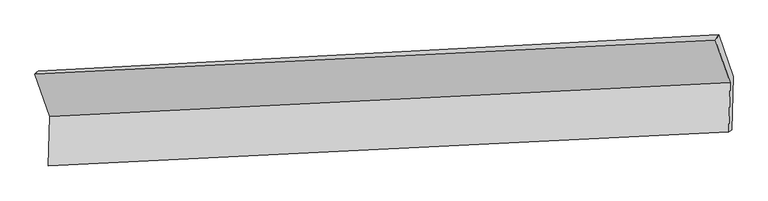
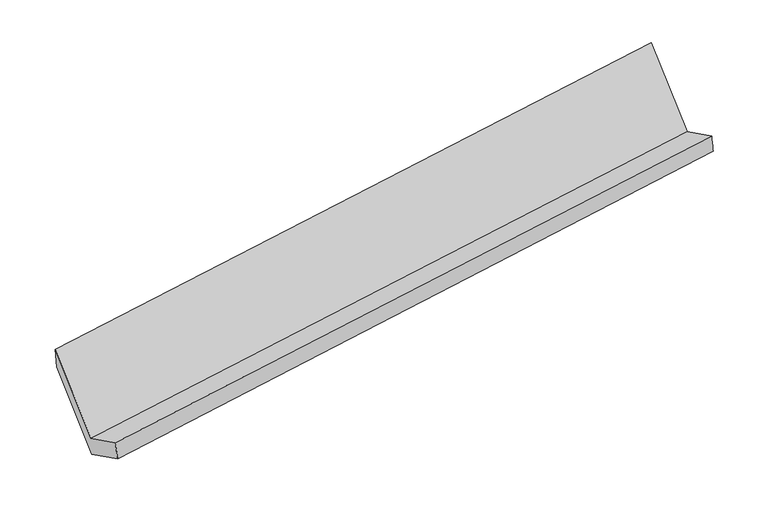
"""IFC4 building model written with IfcOpenShell, lengths in millimetres: proxy geometry."""

from ifc_helpers import new_model, si_unit, frame, origin, place, context, project, spatial, source, transform, mapped, element, save
from ifc_brep_helpers import plane_surface, spline_surface, advanced_brep


def generic_models_25929e0b(model_context):
    return source(origin(), model_context, "Body", "AdvancedBrep", [
        advanced_brep(
        [(-5236.7296648, -1622.6628041, 1393.237864), (-5245.6586824, -1970.5757076, 1570.6448052), (-441.2002116, -1730.4746566, 2283.3189961), (-432.271194, -1382.5617532, 2105.9120548), (-5223.9976589, -1962.4081723, 1423.6733825), (-421.0889657, -1717.7877897, 2145.1324371), (-5214.6852235, -1599.5556633, 1238.6484722), (-411.3193772, -1337.1226331, 1951.0245429), (-5316.9226668, -1301.4193856, 1818.1780969), (-512.007043, -1043.505687, 2521.7693038), (-5340.4044726, -1320.3350043, 1980.9151427), (-535.9460018, -1080.2339533, 2693.5893336)],
        [
            (0, 1),
            (1, 2),
            (2, 3),
            (3, 0),
            (1, 4),
            (4, 5),
            (5, 2),
            (4, 6),
            (6, 7),
            (7, 5),
            (6, 8),
            (8, 9),
            (9, 7),
            (8, 10),
            (10, 11),
            (11, 9),
            (10, 0),
            (3, 11),
        ],
        [
            plane_surface(frame((-5241.1941736, -1796.6192559, 1481.9413346), z_axis=(-0.15294645645074892, 0.45203565051348243, 0.8787895949110983), x_axis=(-0.022857652473714674, -0.8906323785689062, 0.4541491979163715))),
            spline_surface(1, 1, [[(-5245.6586824, -1970.5757076, 1570.6448052), (-441.2002116, -1730.4746566, 2283.3189961)], [(-5223.9976589, -1962.4081723, 1423.6733825), (-421.0889657, -1717.7877897, 2145.1324371)]], [2, 2], [2, 2], [0.0, 1.0], [0.0, 1.0]),
            plane_surface(frame((-5219.3414412, -1780.9819178, 1331.1609273), z_axis=(0.15497775623232712, -0.4519331651462448, -0.8784863740059321), x_axis=(0.022857652473736893, 0.8906323785689054, -0.4541491979163718))),
            plane_surface(frame((-5265.8039451, -1450.4875245, 1528.4132845), z_axis=(0.018795540706728335, 0.8904179658618109, -0.45475550982924523), x_axis=(-0.15497775623232593, 0.45193316514624987, 0.8784863740059298))),
            spline_surface(1, 1, [[(-5316.9226668, -1301.4193856, 1818.1780969), (-512.007043, -1043.505687, 2521.7693038)], [(-5340.4044726, -1320.3350043, 1980.9151427), (-535.9460018, -1080.2339533, 2693.5893336)]], [2, 2], [2, 2], [0.0, 1.0], [0.0, 1.0]),
            plane_surface(frame((-5288.5670687, -1471.4989042, 1687.0765033), z_axis=(-0.022857652473737097, -0.8906323785689001, 0.4541491979163827), x_axis=(0.15497775623232746, -0.45193316514625553, -0.8784863740059267))),
            plane_surface(frame((-458.9721322, -1381.9477455, 2283.457778), z_axis=(0.9876534932842508, 0.05030288744786175, 0.14835833888873273), x_axis=(-0.1350004594848724, -0.20712399601313516, 0.9689553788562321))),
            plane_surface(frame((-5263.0663948, -1629.4927895, 1570.8829606), z_axis=(-0.98765349328425, -0.050302887447847736, -0.14835833888874422), x_axis=(-0.15497775623233154, 0.451933165146245, 0.8784863740059313))),
        ],
        [
            (0, [[1, 2, 3, 4]]),
            (1, [[5, 6, 7, -2]]),
            (2, [[8, 9, 10, -6]]),
            (3, [[11, 12, 13, -9]]),
            (4, [[14, 15, 16, -12]]),
            (5, [[17, -4, 18, -15]]),
            (6, [[-16, -18, -3, -7, -10, -13]]),
            (7, [[-17, -14, -11, -8, -5, -1]]),
        ],
    ),
    ])


if __name__ == "__main__":
    model = new_model("IFC4")
    model_context = context("Model", 3, world=origin())
    ifc_project = project(units=[si_unit("LENGTHUNIT", "METRE", prefix="MILLI")], contexts=[model_context])
    site = spatial("IfcSite", under=ifc_project)
    building = spatial("IfcBuilding", under=site)
    placement = place(None, origin())
    generic_models_shape = generic_models_25929e0b(model_context)
    element("IfcBuildingElementProxy", 1, Name="Generic Models", at=placement, inside=building, context=model_context, shape_type="MappedRepresentation", body=[
        mapped(generic_models_shape, transform((0.0, 0.0, 0.0), x_axis=(1.0, 0.0, 0.0), y_axis=(0.0, 1.0, 0.0), z_axis=(0.0, 0.0, 1.0))),
    ])
    save(model, "model.ifc")
